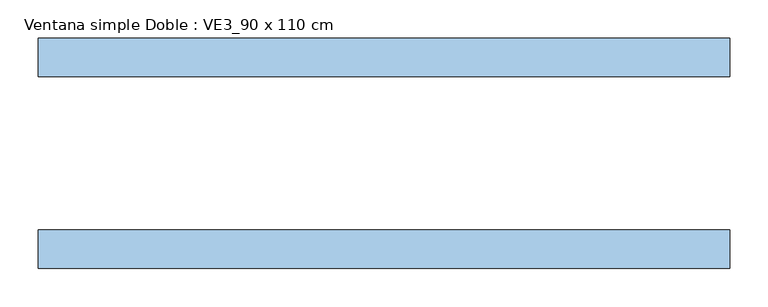
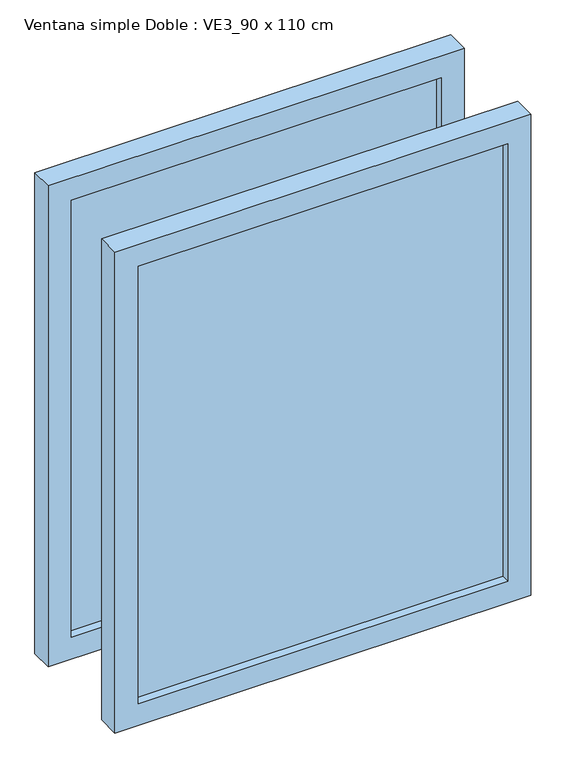
"""IFC4 building model written with IfcOpenShell, lengths in millimetres: window geometry, Ventana simple Doble : VE3_90 x 110 cm."""

from ifc_helpers import new_model, si_unit, frame, origin, place, context, project, spatial, polyline, outline, extrude, source, transform, mapped, element, save


def ventana_simple_doble_ve3_90_x_110_cm_4737adbe(model_context):
    return source(origin(), model_context, "Body", "SweptSolid", [
        extrude(outline(polyline([(400.0, 131.5), (400.0, 118.5), (-400.0, 118.5), (-400.0, 131.5), (400.0, 131.5)])), frame((0.0, 0.0, 850.0), z_axis=(0.0, 0.0, 1.0), x_axis=(1.0, 0.0, 0.0)), (0.0, 0.0, 1.0), 1000.0),
        extrude(outline(polyline([(1900.0, 450.0), (1900.0, -450.0), (800.0, -450.0), (800.0, 450.0), (1900.0, 450.0)]), holes=[polyline([(850.0, 400.0), (850.0, -400.0), (1850.0, -400.0), (1850.0, 400.0), (850.0, 400.0)])]), frame((0.0, 100.0, 0.0), z_axis=(0.0, 1.0, 0.0), x_axis=(0.0, 0.0, 1.0)), (0.0, 0.0, 1.0), 50.0),
        extrude(outline(polyline([(400.0, -131.5), (-400.0, -131.5), (-400.0, -118.5), (400.0, -118.5), (400.0, -131.5)])), frame((0.0, 0.0, 850.0), z_axis=(0.0, 0.0, 1.0), x_axis=(1.0, 0.0, 0.0)), (0.0, 0.0, 1.0), 1000.0),
        extrude(outline(polyline([(800.0, 450.0), (1900.0, 450.0), (1900.0, -450.0), (800.0, -450.0), (800.0, 450.0)]), holes=[polyline([(1850.0, 400.0), (850.0, 400.0), (850.0, -400.0), (1850.0, -400.0), (1850.0, 400.0)])]), frame((0.0, -150.0, 0.0), z_axis=(0.0, 1.0, 0.0), x_axis=(0.0, 0.0, 1.0)), (0.0, 0.0, 1.0), 50.0),
    ])


if __name__ == "__main__":
    model = new_model("IFC4")
    model_context = context("Model", 3, world=origin())
    ifc_project = project(units=[si_unit("LENGTHUNIT", "METRE", prefix="MILLI")], contexts=[model_context])
    site = spatial("IfcSite", under=ifc_project)
    building = spatial("IfcBuilding", under=site)
    placement = place(None, origin())
    ventana_simple_doble_ve3_90_x_110_cm_shape = ventana_simple_doble_ve3_90_x_110_cm_4737adbe(model_context)
    element("IfcWindow", 1, ObjectType="Ventana simple Doble : VE3_90 x 110 cm", at=placement, inside=building, context=model_context, shape_type="MappedRepresentation", body=[
        mapped(ventana_simple_doble_ve3_90_x_110_cm_shape, transform((0.0, 0.0, 0.0), x_axis=(1.0, 0.0, 0.0), y_axis=(0.0, 1.0, 0.0), z_axis=(0.0, 0.0, 1.0))),
    ])
    save(model, "model.ifc")
